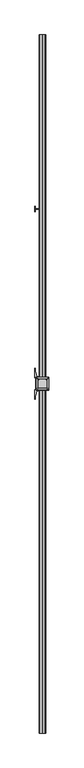
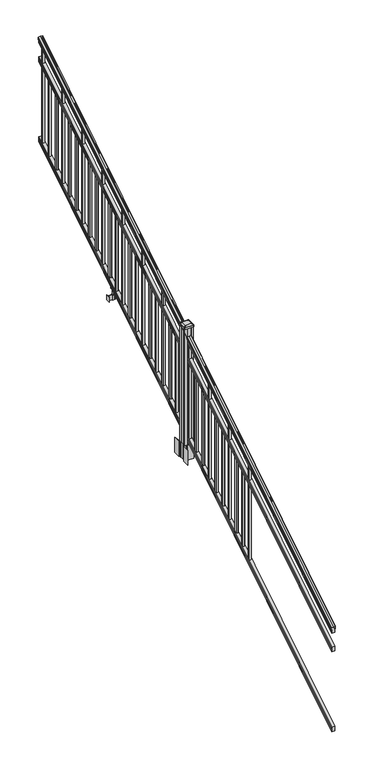
"""IFC4 building model written with IfcOpenShell, lengths in millimetres: railing geometry."""

from ifc_helpers import new_model, si_unit, point, frame, frame_2d, origin, place, context, project, spatial, polyline, circle_curve, ellipse_curve, trimmed, segment, composite_curve, outline, extrude, faceted_brep, source, transform, mapped, element, save
from ifc_brep_helpers import plane_surface, cylinder_surface, revolved_surface, extruded_surface, advanced_brep


def railing_58df58b9(model_context):
    return source(origin(), model_context, "Body", "SolidModel", [
        advanced_brep(
        [(11092.2704765, -115957.2628453, 1285.6070492), (11092.2704765, -115957.2628453, 1287.8335658), (11093.4006628, -115957.2628453, 1289.6758543), (11093.4006628, -115957.2628453, 1298.1876358), (11092.7514064, -115957.2628453, 1301.0572588), (11095.2514064, -115957.2628453, 1306.1635509), (11096.6607489, -115957.2628453, 1308.1442021), (11097.0626479, -115957.2628453, 1309.4469579), (11097.0626478, -115957.2628453, 1311.0274846), (11095.5092005, -115957.2628453, 1312.8593836), (11074.8376478, -115957.2628453, 1312.8593836), (11054.166095, -115957.2628453, 1312.8593836), (11052.6126478, -115957.2628453, 1311.0274846), (11052.6126478, -115957.2628453, 1309.4469579), (11053.0145467, -115957.2628453, 1308.1442021), (11054.4238891, -115957.2628453, 1306.1635509), (11056.9238891, -115957.2628453, 1301.0572588), (11056.2746327, -115957.2628453, 1298.1876358), (11056.2746327, -115957.2628453, 1289.6758543), (11057.404819, -115957.2628453, 1287.8335658), (11057.404819, -115957.2628453, 1285.6070492), (11059.9786478, -115957.2628453, 1285.6070492), (11059.9786478, -115957.2628453, 1273.225537), (11058.9626478, -115957.2628453, 1272.0274214), (11058.9626478, -115957.2628453, 1257.3), (11090.7126478, -115957.2628453, 1257.3), (11090.7126478, -115957.2628453, 1271.841318), (11089.6966478, -115957.2628453, 1273.0394336), (11089.6966478, -115957.2628453, 1285.6070492), (11092.2704765, -111080.4628453, 4333.6070492), (11089.6966478, -111080.4628453, 4333.6070492), (11089.6966478, -111080.4628453, 4321.0394336), (11090.7126478, -111080.4628453, 4319.841318), (11090.7126478, -111080.4628453, 4305.3), (11058.9626478, -111080.4628453, 4305.3), (11058.9626478, -111080.4628453, 4320.0274214), (11059.9786478, -111080.4628453, 4321.225537), (11059.9786478, -111080.4628453, 4333.6070492), (11057.404819, -111080.4628453, 4333.6070492), (11057.404819, -111080.4628453, 4335.8335658), (11056.2746327, -111080.4628453, 4337.6758543), (11056.2746327, -111080.4628453, 4346.1876358), (11056.9238891, -111080.4628453, 4349.0572588), (11054.4238891, -111080.4628453, 4354.1635509), (11053.0145467, -111080.4628453, 4356.1442021), (11052.6126477, -111080.4628453, 4357.4469579), (11052.6126478, -111080.4628453, 4359.0274846), (11054.166095, -111080.4628453, 4360.8593836), (11074.8376478, -111080.4628453, 4360.8593836), (11095.5092005, -111080.4628453, 4360.8593836), (11097.0626478, -111080.4628453, 4359.0274846), (11097.0626478, -111080.4628453, 4357.4469579), (11096.6607489, -111080.4628453, 4356.1442021), (11095.2514064, -111080.4628453, 4354.1635509), (11092.7514064, -111080.4628453, 4349.0572588), (11093.4006628, -111080.4628453, 4346.1876358), (11093.4006628, -111080.4628453, 4337.6758543), (11092.2704765, -111080.4628453, 4335.8335658)],
        [
            (0, 1),
            (1, 2, ellipse_curve(frame((11085.9557232, -115957.2628453, 1294.6239405), z_axis=(0.0, -1.0, 0.0), x_axis=(0.0, 0.0, -1.0)), 10.0777926, 8.545951)),
            (2, 3, ellipse_curve(frame((11086.3927862, -115957.2628453, 1293.9317451), z_axis=(0.0, -1.0, 0.0), x_axis=(0.0, 0.0, -1.0)), 9.2955186, 7.882584)),
            (3, 4, ellipse_curve(frame((11096.9061103, -115957.2628453, 1300.8275077), z_axis=(0.0, 1.0, 0.0), x_axis=(0.0, 0.0, 1.0)), 4.9048088, 4.1592695)),
            (4, 5, ellipse_curve(frame((11098.1934169, -115957.2628453, 1300.7563208), z_axis=(0.0, 1.0, 0.0), x_axis=(0.0, 0.0, 1.0)), 6.4245301, 5.4479907)),
            (5, 6, ellipse_curve(frame((11096.9602584, -115957.2628453, 1306.1602333), z_axis=(0.0, 1.0, 0.0), x_axis=(0.0, 0.0, 1.0)), 2.0151625, 1.7088543)),
            (6, 7, ellipse_curve(frame((11095.3433583, -115957.2628453, 1309.4469579), z_axis=(0.0, -1.0, 0.0), x_axis=(0.0, 0.0, -1.0)), 2.0274681, 1.7192895)),
            (7, 8),
            (8, 9, ellipse_curve(frame((11095.5092005, -115957.2628453, 1311.0274846), z_axis=(0.0, -1.0, 0.0), x_axis=(0.0, 0.0, -1.0)), 1.831899, 1.5534472)),
            (9, 10),
            (10, 11),
            (11, 12, ellipse_curve(frame((11054.166095, -115957.2628453, 1311.0274846), z_axis=(0.0, -1.0, 0.0), x_axis=(0.0, 0.0, -1.0)), 1.831899, 1.5534472)),
            (12, 13),
            (13, 14, ellipse_curve(frame((11054.3319372, -115957.2628453, 1309.4469579), z_axis=(0.0, -1.0, 0.0), x_axis=(0.0, 0.0, -1.0)), 2.0274681, 1.7192895)),
            (14, 15, ellipse_curve(frame((11052.7150371, -115957.2628453, 1306.1602333), z_axis=(0.0, 1.0, 0.0), x_axis=(0.0, 0.0, 1.0)), 2.0151625, 1.7088543)),
            (15, 16, ellipse_curve(frame((11051.4818787, -115957.2628453, 1300.7563208), z_axis=(0.0, 1.0, 0.0), x_axis=(0.0, 0.0, 1.0)), 6.4245301, 5.4479907)),
            (16, 17, ellipse_curve(frame((11052.7691852, -115957.2628453, 1300.8275077), z_axis=(0.0, 1.0, 0.0), x_axis=(0.0, 0.0, 1.0)), 4.9048088, 4.1592695)),
            (17, 18, ellipse_curve(frame((11063.2825093, -115957.2628453, 1293.9317451), z_axis=(0.0, -1.0, 0.0), x_axis=(0.0, 0.0, -1.0)), 9.2955186, 7.882584)),
            (18, 19, ellipse_curve(frame((11063.7195723, -115957.2628453, 1294.6239405), z_axis=(0.0, -1.0, 0.0), x_axis=(0.0, 0.0, -1.0)), 10.0777926, 8.545951)),
            (19, 20),
            (20, 21, ellipse_curve(frame((11058.6917334, -115957.2628453, 1285.6070492), z_axis=(0.0, -1.0, 0.0), x_axis=(0.0, 0.0, -1.0)), 1.5175907, 1.2869144)),
            (21, 22),
            (22, 23),
            (23, 24),
            (24, 25),
            (25, 26),
            (26, 27),
            (27, 28),
            (28, 0, ellipse_curve(frame((11090.9835621, -115957.2628453, 1285.6070492), z_axis=(0.0, -1.0, 0.0), x_axis=(0.0, 0.0, -1.0)), 1.5175907, 1.2869144)),
            (29, 30, ellipse_curve(frame((11090.9835621, -111080.4628453, 4333.6070492), z_axis=(0.0, 1.0, 0.0), x_axis=(0.0, 0.0, -1.0)), 1.5175907, 1.2869144)),
            (30, 31),
            (31, 32),
            (32, 33),
            (33, 34),
            (34, 35),
            (35, 36),
            (36, 37),
            (37, 38, ellipse_curve(frame((11058.6917334, -111080.4628453, 4333.6070492), z_axis=(0.0, 1.0, 0.0), x_axis=(0.0, 0.0, -1.0)), 1.5175907, 1.2869144)),
            (38, 39),
            (39, 40, ellipse_curve(frame((11063.7195723, -111080.4628453, 4342.6239405), z_axis=(0.0, 1.0, 0.0), x_axis=(0.0, 0.0, -1.0)), 10.0777926, 8.545951)),
            (40, 41, ellipse_curve(frame((11063.2825093, -111080.4628453, 4341.9317451), z_axis=(0.0, 1.0, 0.0), x_axis=(0.0, 0.0, -1.0)), 9.2955186, 7.882584)),
            (41, 42, ellipse_curve(frame((11052.7691852, -111080.4628453, 4348.8275077), z_axis=(0.0, -1.0, 0.0), x_axis=(0.0, 0.0, 1.0)), 4.9048088, 4.1592695)),
            (42, 43, ellipse_curve(frame((11051.4818787, -111080.4628453, 4348.7563208), z_axis=(0.0, -1.0, 0.0), x_axis=(0.0, 0.0, 1.0)), 6.4245301, 5.4479907)),
            (43, 44, ellipse_curve(frame((11052.7150371, -111080.4628453, 4354.1602333), z_axis=(0.0, -1.0, 0.0), x_axis=(0.0, 0.0, 1.0)), 2.0151625, 1.7088543)),
            (44, 45, ellipse_curve(frame((11054.3319372, -111080.4628453, 4357.4469579), z_axis=(0.0, 1.0, 0.0), x_axis=(0.0, 0.0, -1.0)), 2.0274681, 1.7192895)),
            (45, 46),
            (46, 47, ellipse_curve(frame((11054.166095, -111080.4628453, 4359.0274846), z_axis=(0.0, 1.0, 0.0), x_axis=(0.0, 0.0, -1.0)), 1.831899, 1.5534472)),
            (47, 48),
            (48, 49),
            (49, 50, ellipse_curve(frame((11095.5092005, -111080.4628453, 4359.0274846), z_axis=(0.0, 1.0, 0.0), x_axis=(0.0, 0.0, -1.0)), 1.831899, 1.5534472)),
            (50, 51),
            (51, 52, ellipse_curve(frame((11095.3433583, -111080.4628453, 4357.4469579), z_axis=(0.0, 1.0, 0.0), x_axis=(0.0, 0.0, -1.0)), 2.0274681, 1.7192895)),
            (52, 53, ellipse_curve(frame((11096.9602584, -111080.4628453, 4354.1602333), z_axis=(0.0, -1.0, 0.0), x_axis=(0.0, 0.0, 1.0)), 2.0151625, 1.7088543)),
            (53, 54, ellipse_curve(frame((11098.1934169, -111080.4628453, 4348.7563208), z_axis=(0.0, -1.0, 0.0), x_axis=(0.0, 0.0, 1.0)), 6.4245301, 5.4479907)),
            (54, 55, ellipse_curve(frame((11096.9061103, -111080.4628453, 4348.8275077), z_axis=(0.0, -1.0, 0.0), x_axis=(0.0, 0.0, 1.0)), 4.9048088, 4.1592695)),
            (55, 56, ellipse_curve(frame((11086.3927862, -111080.4628453, 4341.9317451), z_axis=(0.0, 1.0, 0.0), x_axis=(0.0, 0.0, -1.0)), 9.2955186, 7.882584)),
            (56, 57, ellipse_curve(frame((11085.9557232, -111080.4628453, 4342.6239405), z_axis=(0.0, 1.0, 0.0), x_axis=(0.0, 0.0, -1.0)), 10.0777926, 8.545951)),
            (57, 29),
            (28, 30),
            (29, 0),
            (27, 31),
            (26, 32),
            (25, 33),
            (24, 34),
            (23, 35),
            (22, 36),
            (21, 37),
            (20, 38),
            (19, 39),
            (18, 40),
            (17, 41),
            (16, 42),
            (15, 43),
            (14, 44),
            (13, 45),
            (12, 46),
            (11, 47),
            (10, 48),
            (9, 49),
            (8, 50),
            (7, 51),
            (6, 52),
            (5, 53),
            (4, 54),
            (3, 55),
            (2, 56),
            (1, 57),
        ],
        [
            plane_surface(frame((11074.8376478, -115957.2628453, 1257.3), z_axis=(0.0, -1.0, 0.0), x_axis=(0.0, 0.0, 1.0))),
            plane_surface(frame((11074.8376478, -111080.4628453, 4305.3), z_axis=(0.0, 1.0, 0.0), x_axis=(0.0, 0.0, 1.0))),
            cylinder_surface(frame((11090.9835621, -115969.9851146, 1277.6556309), z_axis=(0.0, -0.8479983040051253, -0.5299989400031204), x_axis=(-1.0, 0.0, 0.0)), 1.2869144),
            plane_surface(frame((11089.6966478, -115957.2628453, 1273.0394336), z_axis=(1.0, 0.0, 0.0), x_axis=(0.0, 0.8479983040051252, 0.5299989400031204))),
            plane_surface(frame((11090.7126478, -115957.2628453, 1271.841318), z_axis=(0.7071067811865389, -0.3747658444978941, 0.5996253511967224), x_axis=(0.0, 0.8479983040051253, 0.5299989400031203))),
            plane_surface(frame((11090.7126478, -115957.2628453, 1257.3), z_axis=(1.0, 0.0, 0.0), x_axis=(0.0, 0.8479983040051252, 0.5299989400031204))),
            plane_surface(frame((11058.9626478, -115957.2628453, 1257.3), z_axis=(0.0, 0.5299989400031204, -0.8479983040051252), x_axis=(0.0, 0.8479983040051252, 0.5299989400031204))),
            plane_surface(frame((11058.9626478, -115957.2628453, 1272.0274214), z_axis=(-1.0000000000000002, 0.0, 0.0), x_axis=(0.0, 0.8479983040051253, 0.5299989400031204))),
            plane_surface(frame((11059.9786478, -115957.2628453, 1273.225537), z_axis=(-0.7071067811865438, -0.3747658444978897, 0.5996253511967192), x_axis=(0.0, 0.8479983040051252, 0.5299989400031204))),
            plane_surface(frame((11059.9786478, -115957.2628453, 1285.6070492), z_axis=(-1.0, 0.0, 0.0), x_axis=(0.0, 0.8479983040051252, 0.5299989400031204))),
            cylinder_surface(frame((11058.6917334, -115969.9851146, 1277.6556309), z_axis=(0.0, -0.8479983040051253, -0.5299989400031204), x_axis=(1.0, 0.0, 0.0)), 1.2869144),
            plane_surface(frame((11057.404819, -115957.2628453, 1287.8335658), z_axis=(-1.0, 0.0, 0.0), x_axis=(0.0, 0.8479983040051252, 0.5299989400031204))),
            cylinder_surface(frame((11063.7195723, -115974.03765, 1284.1396876), z_axis=(0.0, -0.8479983040051253, -0.5299989400031204), x_axis=(1.0, 0.0, 0.0)), 8.545951),
            cylinder_surface(frame((11063.2825093, -115973.7265509, 1283.641929), z_axis=(0.0, -0.8479983040051253, -0.5299989400031204), x_axis=(1.0, 0.0, 0.0)), 7.882584),
            revolved_surface(polyline([(11056.9284547, -111078.25843685034, 4350.205262980551), (11056.9284547, -115959.46725374945, 1299.4497524190954)]), (11052.7691852, -115976.8257701, 1288.6006797), (0.0, 0.8479983040051253, 0.5299989400031204)),
            revolved_surface(polyline([(11056.9298694, -111077.57541603575, 4350.5609640771845), (11056.9298694, -115960.15027455281, 1298.9516775044929)]), (11051.4818787, -115976.793776, 1288.5494891), (0.0, 0.8479983040051253, 0.5299989400031204)),
            revolved_surface(polyline([(11054.423891400002, -111079.55715429978, 4354.726290199651), (11054.423891400002, -115958.16853632247, 1305.594176435948)]), (11052.7150371, -115979.2225007, 1292.4354487), (0.0, 0.8479983040051253, 0.5299989400031204)),
            cylinder_surface(frame((11054.3319372, -115980.6996803, 1294.798936), z_axis=(0.0, -0.8479983040051253, -0.5299989400031204), x_axis=(1.0, 0.0, 0.0)), 1.7192895),
            plane_surface(frame((11052.6126478, -115957.2628453, 1311.0274846), z_axis=(-1.0000000000000002, 0.0, 0.0), x_axis=(0.0, 0.8479983040051253, 0.5299989400031204))),
            cylinder_surface(frame((11054.166095, -115981.4100294, 1295.9354945), z_axis=(0.0, -0.8479983040051253, -0.5299989400031204), x_axis=(1.0, 0.0, 0.0)), 1.5534472),
            plane_surface(frame((11074.8376478, -115957.2628453, 1312.8593836), z_axis=(0.0, -0.5299989400031204, 0.8479983040051252), x_axis=(0.0, 0.8479983040051252, 0.5299989400031204))),
            plane_surface(frame((11095.5092005, -115957.2628453, 1312.8593836), z_axis=(0.0, -0.5299989400031204, 0.8479983040051252), x_axis=(0.0, 0.8479983040051252, 0.5299989400031204))),
            cylinder_surface(frame((11095.5092005, -115981.4100294, 1295.9354945), z_axis=(0.0, -0.8479983040051253, -0.5299989400031204), x_axis=(-1.0, 0.0, 0.0)), 1.5534472),
            plane_surface(frame((11097.0626478, -115957.2628453, 1309.4469579), z_axis=(1.0, 0.0, 0.0), x_axis=(0.0, 0.8479983040051252, 0.5299989400031204))),
            cylinder_surface(frame((11095.3433583, -115980.6996803, 1294.798936), z_axis=(0.0, -0.8479983040051253, -0.5299989400031204), x_axis=(-1.0, 0.0, 0.0)), 1.7192895),
            revolved_surface(polyline([(11095.2514041, -111079.55715429978, 4354.726290199651), (11095.2514041, -115958.16853632247, 1305.594176435948)]), (11096.9602584, -115979.2225007, 1292.4354487), (0.0, 0.8479983040051253, 0.5299989400031204)),
            revolved_surface(polyline([(11092.7454262, -111077.57541603575, 4350.5609640771845), (11092.7454262, -115960.15027455281, 1298.9516775044929)]), (11098.1934169, -115976.793776, 1288.5494891), (0.0, 0.8479983040051253, 0.5299989400031204)),
            revolved_surface(polyline([(11092.7468408, -111078.25843685034, 4350.205262980551), (11092.7468408, -115959.46725374945, 1299.4497524190954)]), (11096.9061103, -115976.8257701, 1288.6006797), (0.0, 0.8479983040051253, 0.5299989400031204)),
            cylinder_surface(frame((11086.3927862, -115973.7265509, 1283.641929), z_axis=(0.0, -0.8479983040051253, -0.5299989400031204), x_axis=(-1.0, 0.0, 0.0)), 7.882584),
            cylinder_surface(frame((11085.9557232, -115974.03765, 1284.1396876), z_axis=(0.0, -0.8479983040051253, -0.5299989400031204), x_axis=(-1.0, 0.0, 0.0)), 8.545951),
            plane_surface(frame((11092.2704765, -115957.2628453, 1285.6070492), z_axis=(1.0, 0.0, 0.0), x_axis=(0.0, 0.8479983040051252, 0.5299989400031204))),
        ],
        [
            (0, [[1, 2, 3, 4, 5, 6, 7, 8, 9, 10, 11, 12, 13, 14, 15, 16, 17, 18, 19, 20, 21, 22, 23, 24, 25, 26, 27, 28, 29]]),
            (1, [[30, 31, 32, 33, 34, 35, 36, 37, 38, 39, 40, 41, 42, 43, 44, 45, 46, 47, 48, 49, 50, 51, 52, 53, 54, 55, 56, 57, 58]]),
            (2, [[-29, 59, -30, 60]]),
            (3, [[-28, 61, -31, -59]]),
            (4, [[-27, 62, -32, -61]]),
            (5, [[-26, 63, -33, -62]]),
            (6, [[-25, 64, -34, -63]]),
            (7, [[-24, 65, -35, -64]]),
            (8, [[-23, 66, -36, -65]]),
            (9, [[-22, 67, -37, -66]]),
            (10, [[-21, 68, -38, -67]]),
            (11, [[-20, 69, -39, -68]]),
            (12, [[-19, 70, -40, -69]]),
            (13, [[-18, 71, -41, -70]]),
            (14, [[-17, 72, -42, -71]]),
            (15, [[-16, 73, -43, -72]]),
            (16, [[-15, 74, -44, -73]]),
            (17, [[-14, 75, -45, -74]]),
            (18, [[-13, 76, -46, -75]]),
            (19, [[-12, 77, -47, -76]]),
            (20, [[-11, 78, -48, -77]]),
            (21, [[-10, 79, -49, -78]]),
            (22, [[-9, 80, -50, -79]]),
            (23, [[-8, 81, -51, -80]]),
            (24, [[-7, 82, -52, -81]]),
            (25, [[-6, 83, -53, -82]]),
            (26, [[-5, 84, -54, -83]]),
            (27, [[-4, 85, -55, -84]]),
            (28, [[-3, 86, -56, -85]]),
            (29, [[-2, 87, -57, -86]]),
            (30, [[-1, -60, -58, -87]]),
        ],
    ),
        faceted_brep([(11090.7501347, -115957.2628453, 1081.6045079), (11089.7341347, -115957.2628453, 1083.138026), (11089.7341347, -115957.2628453, 1095.3545048), (11090.7501347, -115957.2628453, 1096.9444579), (11090.7501347, -115957.2628453, 1111.7244744), (11059.0001347, -115957.2628453, 1111.7244744), (11059.0001347, -115957.2628453, 1096.9248272), (11060.0161347, -115957.2628453, 1095.3348741), (11060.0161347, -115957.2628453, 1083.1748303), (11059.0001347, -115957.2628453, 1081.5848772), (11059.0001347, -115957.2628453, 1066.8), (11090.7501347, -115957.2628453, 1066.8), (11090.7501347, -111080.4628453, 4129.6045079), (11090.7501347, -111080.4628453, 4114.8), (11059.0001347, -111080.4628453, 4114.8), (11059.0001347, -111080.4628453, 4129.5848772), (11060.0161347, -111080.4628453, 4131.1748303), (11060.0161347, -111080.4628453, 4143.3348741), (11059.0001347, -111080.4628453, 4144.9248272), (11059.0001347, -111080.4628453, 4159.7244744), (11090.7501347, -111080.4628453, 4159.7244744), (11090.7501347, -111080.4628453, 4144.9444579), (11089.7341347, -111080.4628453, 4143.3545048), (11089.7341347, -111080.4628453, 4131.138026)], [[[0, 1, 2, 3, 4, 5, 6, 7, 8, 9, 10, 11]], [[12, 13, 14, 15, 16, 17, 18, 19, 20, 21, 22, 23]], [[0, 11, 13, 12]], [[11, 10, 14, 13]], [[10, 9, 15, 14]], [[9, 8, 16, 15]], [[8, 7, 17, 16]], [[7, 6, 18, 17]], [[6, 5, 19, 18]], [[5, 4, 20, 19]], [[4, 3, 21, 20]], [[3, 2, 22, 21]], [[2, 1, 23, 22]], [[1, 0, 12, 23]]]),
        faceted_brep([(11090.7501347, -115957.2628453, 268.8045079), (11089.7341347, -115957.2628453, 270.338026), (11089.7341347, -115957.2628453, 282.5545048), (11090.7501347, -115957.2628453, 284.1444579), (11090.7501347, -115957.2628453, 298.9244744), (11059.0001347, -115957.2628453, 298.9244744), (11059.0001347, -115957.2628453, 284.1248272), (11060.0161347, -115957.2628453, 282.5348741), (11060.0161347, -115957.2628453, 270.3748303), (11059.0001347, -115957.2628453, 268.7848772), (11059.0001347, -115957.2628453, 254.0), (11090.7501347, -115957.2628453, 254.0), (11090.7501347, -111080.4628453, 3316.8045079), (11090.7501347, -111080.4628453, 3302.0), (11059.0001347, -111080.4628453, 3302.0), (11059.0001347, -111080.4628453, 3316.7848772), (11060.0161347, -111080.4628453, 3318.3748303), (11060.0161347, -111080.4628453, 3330.5348741), (11059.0001347, -111080.4628453, 3332.1248272), (11059.0001347, -111080.4628453, 3346.9244744), (11090.7501347, -111080.4628453, 3346.9244744), (11090.7501347, -111080.4628453, 3332.1444579), (11089.7341347, -111080.4628453, 3330.5545048), (11089.7341347, -111080.4628453, 3318.338026)], [[[0, 1, 2, 3, 4, 5, 6, 7, 8, 9, 10, 11]], [[12, 13, 14, 15, 16, 17, 18, 19, 20, 21, 22, 23]], [[2, 1, 23, 22]], [[4, 3, 21, 20]], [[6, 5, 19, 18]], [[0, 11, 13, 12]], [[1, 0, 12, 23]], [[3, 2, 22, 21]], [[5, 4, 20, 19]], [[7, 6, 18, 17]], [[8, 7, 17, 16]], [[9, 8, 16, 15]], [[10, 9, 15, 14]], [[11, 10, 14, 13]]]),
        extrude(outline(polyline([(11084.3626478, -111137.2318453), (11065.3126478, -111137.2318453), (11065.3126478, -111118.1818453), (11084.3626478, -111118.1818453), (11084.3626478, -111137.2318453)]), holes=[polyline([(11083.9657728, -111136.8349703), (11083.9657728, -111118.5787203), (11065.7095228, -111118.5787203), (11065.7095228, -111136.8349703), (11083.9657728, -111136.8349703)])]), frame((0.0, 0.0, 3310.5683781), z_axis=(0.0, 0.0, 1.0), x_axis=(1.0, 0.0, 0.0)), (0.0, 0.0, 1.0), 965.2041219),
        extrude(outline(polyline([(11084.3626478, -111248.4838453), (11065.3126478, -111248.4838453), (11065.3126478, -111229.4338453), (11084.3626478, -111229.4338453), (11084.3626478, -111248.4838453)]), holes=[polyline([(11083.9657728, -111248.0869703), (11083.9657728, -111229.8307203), (11065.7095228, -111229.8307203), (11065.7095228, -111248.0869703), (11083.9657728, -111248.0869703)])]), frame((0.0, 0.0, 3241.0358781), z_axis=(0.0, 0.0, 1.0), x_axis=(1.0, 0.0, 0.0)), (0.0, 0.0, 1.0), 774.7041219),
        extrude(outline(polyline([(11084.3626478, -111359.7358453), (11065.3126478, -111359.7358453), (11065.3126478, -111340.6858453), (11084.3626478, -111340.6858453), (11084.3626478, -111359.7358453)]), holes=[polyline([(11083.9657728, -111359.3389703), (11083.9657728, -111341.0827203), (11065.7095228, -111341.0827203), (11065.7095228, -111359.3389703), (11083.9657728, -111359.3389703)])]), frame((0.0, 0.0, 3171.5033781), z_axis=(0.0, 0.0, 1.0), x_axis=(1.0, 0.0, 0.0)), (0.0, 0.0, 1.0), 774.7041219),
        extrude(outline(polyline([(11084.3626478, -111470.9878453), (11065.3126478, -111470.9878453), (11065.3126478, -111451.9378453), (11084.3626478, -111451.9378453), (11084.3626478, -111470.9878453)]), holes=[polyline([(11083.9657728, -111470.5909703), (11083.9657728, -111452.3347203), (11065.7095228, -111452.3347203), (11065.7095228, -111470.5909703), (11083.9657728, -111470.5909703)])]), frame((0.0, 0.0, 3101.9708781), z_axis=(0.0, 0.0, 1.0), x_axis=(1.0, 0.0, 0.0)), (0.0, 0.0, 1.0), 965.2041219),
        extrude(outline(polyline([(11084.3626478, -111582.2398453), (11065.3126478, -111582.2398453), (11065.3126478, -111563.1898453), (11084.3626478, -111563.1898453), (11084.3626478, -111582.2398453)]), holes=[polyline([(11083.9657728, -111581.8429703), (11083.9657728, -111563.5867203), (11065.7095228, -111563.5867203), (11065.7095228, -111581.8429703), (11083.9657728, -111581.8429703)])]), frame((0.0, 0.0, 3032.4383781), z_axis=(0.0, 0.0, 1.0), x_axis=(1.0, 0.0, 0.0)), (0.0, 0.0, 1.0), 774.7041219),
        extrude(outline(polyline([(11084.3626478, -111693.4918453), (11065.3126478, -111693.4918453), (11065.3126478, -111674.4418453), (11084.3626478, -111674.4418453), (11084.3626478, -111693.4918453)]), holes=[polyline([(11083.9657728, -111693.0949703), (11083.9657728, -111674.8387203), (11065.7095228, -111674.8387203), (11065.7095228, -111693.0949703), (11083.9657728, -111693.0949703)])]), frame((0.0, 0.0, 2962.9058781), z_axis=(0.0, 0.0, 1.0), x_axis=(1.0, 0.0, 0.0)), (0.0, 0.0, 1.0), 774.7041219),
        extrude(outline(polyline([(11084.3626478, -111804.7438453), (11065.3126478, -111804.7438453), (11065.3126478, -111785.6938453), (11084.3626478, -111785.6938453), (11084.3626478, -111804.7438453)]), holes=[polyline([(11083.9657728, -111804.3469703), (11083.9657728, -111786.0907203), (11065.7095228, -111786.0907203), (11065.7095228, -111804.3469703), (11083.9657728, -111804.3469703)])]), frame((0.0, 0.0, 2893.3733781), z_axis=(0.0, 0.0, 1.0), x_axis=(1.0, 0.0, 0.0)), (0.0, 0.0, 1.0), 965.2041219),
        extrude(outline(polyline([(11084.3626478, -111915.9958453), (11065.3126478, -111915.9958453), (11065.3126478, -111896.9458453), (11084.3626478, -111896.9458453), (11084.3626478, -111915.9958453)]), holes=[polyline([(11083.9657728, -111915.5989703), (11083.9657728, -111897.3427203), (11065.7095228, -111897.3427203), (11065.7095228, -111915.5989703), (11083.9657728, -111915.5989703)])]), frame((0.0, 0.0, 2823.8408781), z_axis=(0.0, 0.0, 1.0), x_axis=(1.0, 0.0, 0.0)), (0.0, 0.0, 1.0), 774.7041219),
        extrude(outline(polyline([(11084.3626478, -112027.2478453), (11065.3126478, -112027.2478453), (11065.3126478, -112008.1978453), (11084.3626478, -112008.1978453), (11084.3626478, -112027.2478453)]), holes=[polyline([(11083.9657728, -112026.8509703), (11083.9657728, -112008.5947203), (11065.7095228, -112008.5947203), (11065.7095228, -112026.8509703), (11083.9657728, -112026.8509703)])]), frame((0.0, 0.0, 2754.3083781), z_axis=(0.0, 0.0, 1.0), x_axis=(1.0, 0.0, 0.0)), (0.0, 0.0, 1.0), 774.7041219),
        extrude(outline(polyline([(11084.3626478, -112138.4998453), (11065.3126478, -112138.4998453), (11065.3126478, -112119.4498453), (11084.3626478, -112119.4498453), (11084.3626478, -112138.4998453)]), holes=[polyline([(11083.9657728, -112138.1029703), (11083.9657728, -112119.8467203), (11065.7095228, -112119.8467203), (11065.7095228, -112138.1029703), (11083.9657728, -112138.1029703)])]), frame((0.0, 0.0, 2684.7758781), z_axis=(0.0, 0.0, 1.0), x_axis=(1.0, 0.0, 0.0)), (0.0, 0.0, 1.0), 965.2041219),
        extrude(outline(polyline([(11084.3626478, -112249.7518453), (11065.3126478, -112249.7518453), (11065.3126478, -112230.7018453), (11084.3626478, -112230.7018453), (11084.3626478, -112249.7518453)]), holes=[polyline([(11083.9657728, -112249.3549703), (11083.9657728, -112231.0987203), (11065.7095228, -112231.0987203), (11065.7095228, -112249.3549703), (11083.9657728, -112249.3549703)])]), frame((0.0, 0.0, 2615.2433781), z_axis=(0.0, 0.0, 1.0), x_axis=(1.0, 0.0, 0.0)), (0.0, 0.0, 1.0), 774.7041219),
        extrude(outline(polyline([(11064.169648, -112297.1228453), (11024.7996478, -112297.1228453), (11024.7996478, -112294.5828453), (11064.169648, -112294.5828453), (11064.169648, -112297.1228453)])), frame((0.0, 0.0, 2428.08125), z_axis=(0.0, 0.0, 1.0), x_axis=(1.0, 0.0, 0.0)), (0.0, 0.0, 1.0), 50.8),
        extrude(outline(polyline([(11024.7996478, -112314.9028453), (11022.2596478, -112314.9028453), (11022.2596478, -112276.8028453), (11024.7996478, -112276.8028453), (11024.7996478, -112314.9028453)])), frame((0.0, 0.0, 2428.08125), z_axis=(0.0, 0.0, 1.0), x_axis=(1.0, 0.0, 0.0)), (0.0, 0.0, 1.0), 50.8),
        extrude(outline(polyline([(11085.5056485, -112305.7588453), (11064.169648, -112305.7588453), (11064.169648, -112285.9468453), (11085.5056485, -112285.9468453), (11085.5056485, -112305.7588453)]), holes=[polyline([(11082.2036484, -112303.2188453), (11082.2036484, -112288.4868453), (11067.4716481, -112288.4868453), (11067.4716481, -112303.2188453), (11082.2036484, -112303.2188453)])]), frame((0.0, 0.0, 2428.08125), z_axis=(0.0, 0.0, 1.0), x_axis=(1.0, 0.0, 0.0)), (0.0, 0.0, 1.0), 50.8),
        extrude(outline(polyline([(2567.6016479, 11056.6766489), (2566.8396469, 11055.9146479), (2540.3492523, 11055.9146479), (2539.5872513, 11056.6766489), (2539.5872513, 11066.709648), (2538.8252512, 11067.4716481), (2475.3252512, 11067.4716481), (2475.3252512, 11082.2036484), (2538.8252512, 11082.2036484), (2539.5872513, 11082.9656485), (2539.5872513, 11092.9986475), (2540.3492523, 11093.7606486), (2566.8396469, 11093.7606486), (2567.6016479, 11092.9986475), (2567.6016479, 11090.966648), (2566.5856453, 11089.9506482), (2556.1498581, 11089.9506482), (2555.1338573, 11090.966648), (2543.143251, 11090.966648), (2542.3812519, 11090.2046488), (2542.3812519, 11059.4706477), (2543.143251, 11058.7086485), (2555.1338573, 11058.7086485), (2556.1498581, 11059.7246483), (2566.5856453, 11059.7246483), (2567.6016479, 11058.7086485), (2567.6016479, 11056.6766489)]), holes=[polyline([(2539.5872513, 11078.2666481), (2538.8252512, 11079.0286482), (2482.8182531, 11079.0286482), (2482.0562531, 11078.2666481), (2482.0562531, 11071.4086455), (2482.8182503, 11070.6466483), (2538.8252512, 11070.6466483), (2539.5872513, 11071.4086483), (2539.5872513, 11078.2666481)])]), frame((0.0, -112303.2188453, 0.0), z_axis=(0.0, 1.0, 0.0), x_axis=(0.0, 0.0, 1.0)), (0.0, 0.0, 1.0), 14.732),
        extrude(outline(polyline([(11084.3626478, -112361.0038453), (11065.3126478, -112361.0038453), (11065.3126478, -112341.9538453), (11084.3626478, -112341.9538453), (11084.3626478, -112361.0038453)]), holes=[polyline([(11083.9657728, -112360.6069703), (11083.9657728, -112342.3507203), (11065.7095228, -112342.3507203), (11065.7095228, -112360.6069703), (11083.9657728, -112360.6069703)])]), frame((0.0, 0.0, 2545.7108781), z_axis=(0.0, 0.0, 1.0), x_axis=(1.0, 0.0, 0.0)), (0.0, 0.0, 1.0), 774.7041219),
        extrude(outline(polyline([(11084.3626478, -112472.2558453), (11065.3126478, -112472.2558453), (11065.3126478, -112453.2058453), (11084.3626478, -112453.2058453), (11084.3626478, -112472.2558453)]), holes=[polyline([(11083.9657728, -112471.8589703), (11083.9657728, -112453.6027203), (11065.7095228, -112453.6027203), (11065.7095228, -112471.8589703), (11083.9657728, -112471.8589703)])]), frame((0.0, 0.0, 2476.1783781), z_axis=(0.0, 0.0, 1.0), x_axis=(1.0, 0.0, 0.0)), (0.0, 0.0, 1.0), 965.2041219),
        extrude(outline(polyline([(11084.3626478, -112583.5078453), (11065.3126478, -112583.5078453), (11065.3126478, -112564.4578453), (11084.3626478, -112564.4578453), (11084.3626478, -112583.5078453)]), holes=[polyline([(11083.9657728, -112583.1109703), (11083.9657728, -112564.8547203), (11065.7095228, -112564.8547203), (11065.7095228, -112583.1109703), (11083.9657728, -112583.1109703)])]), frame((0.0, 0.0, 2406.6458781), z_axis=(0.0, 0.0, 1.0), x_axis=(1.0, 0.0, 0.0)), (0.0, 0.0, 1.0), 774.7041219),
        extrude(outline(polyline([(11084.3626478, -112694.7598453), (11065.3126478, -112694.7598453), (11065.3126478, -112675.7098453), (11084.3626478, -112675.7098453), (11084.3626478, -112694.7598453)]), holes=[polyline([(11083.9657728, -112694.3629703), (11083.9657728, -112676.1067203), (11065.7095228, -112676.1067203), (11065.7095228, -112694.3629703), (11083.9657728, -112694.3629703)])]), frame((0.0, 0.0, 2337.1133781), z_axis=(0.0, 0.0, 1.0), x_axis=(1.0, 0.0, 0.0)), (0.0, 0.0, 1.0), 774.7041219),
        extrude(outline(polyline([(11084.3626478, -112806.0118453), (11065.3126478, -112806.0118453), (11065.3126478, -112786.9618453), (11084.3626478, -112786.9618453), (11084.3626478, -112806.0118453)]), holes=[polyline([(11083.9657728, -112805.6149703), (11083.9657728, -112787.3587203), (11065.7095228, -112787.3587203), (11065.7095228, -112805.6149703), (11083.9657728, -112805.6149703)])]), frame((0.0, 0.0, 2267.5808781), z_axis=(0.0, 0.0, 1.0), x_axis=(1.0, 0.0, 0.0)), (0.0, 0.0, 1.0), 965.2041219),
        extrude(outline(polyline([(11084.3626478, -112917.2638453), (11065.3126478, -112917.2638453), (11065.3126478, -112898.2138453), (11084.3626478, -112898.2138453), (11084.3626478, -112917.2638453)]), holes=[polyline([(11083.9657728, -112916.8669703), (11083.9657728, -112898.6107203), (11065.7095228, -112898.6107203), (11065.7095228, -112916.8669703), (11083.9657728, -112916.8669703)])]), frame((0.0, 0.0, 2198.0483781), z_axis=(0.0, 0.0, 1.0), x_axis=(1.0, 0.0, 0.0)), (0.0, 0.0, 1.0), 774.7041219),
        extrude(outline(polyline([(11084.3626478, -113028.5158453), (11065.3126478, -113028.5158453), (11065.3126478, -113009.4658453), (11084.3626478, -113009.4658453), (11084.3626478, -113028.5158453)]), holes=[polyline([(11083.9657728, -113028.1189703), (11083.9657728, -113009.8627203), (11065.7095228, -113009.8627203), (11065.7095228, -113028.1189703), (11083.9657728, -113028.1189703)])]), frame((0.0, 0.0, 2128.5158781), z_axis=(0.0, 0.0, 1.0), x_axis=(1.0, 0.0, 0.0)), (0.0, 0.0, 1.0), 774.7041219),
        extrude(outline(polyline([(11084.3626478, -113139.7678453), (11065.3126478, -113139.7678453), (11065.3126478, -113120.7178453), (11084.3626478, -113120.7178453), (11084.3626478, -113139.7678453)]), holes=[polyline([(11083.9657728, -113139.3709703), (11083.9657728, -113121.1147203), (11065.7095228, -113121.1147203), (11065.7095228, -113139.3709703), (11083.9657728, -113139.3709703)])]), frame((0.0, 0.0, 2058.9833781), z_axis=(0.0, 0.0, 1.0), x_axis=(1.0, 0.0, 0.0)), (0.0, 0.0, 1.0), 965.2041219),
        extrude(outline(polyline([(11084.3626478, -113251.0198453), (11065.3126478, -113251.0198453), (11065.3126478, -113231.9698453), (11084.3626478, -113231.9698453), (11084.3626478, -113251.0198453)]), holes=[polyline([(11083.9657728, -113250.6229703), (11083.9657728, -113232.3667203), (11065.7095228, -113232.3667203), (11065.7095228, -113250.6229703), (11083.9657728, -113250.6229703)])]), frame((0.0, 0.0, 1989.4508781), z_axis=(0.0, 0.0, 1.0), x_axis=(1.0, 0.0, 0.0)), (0.0, 0.0, 1.0), 774.7041219),
        extrude(outline(polyline([(11084.3626478, -113362.2718453), (11065.3126478, -113362.2718453), (11065.3126478, -113343.2218453), (11084.3626478, -113343.2218453), (11084.3626478, -113362.2718453)]), holes=[polyline([(11083.9657728, -113361.8749703), (11083.9657728, -113343.6187203), (11065.7095228, -113343.6187203), (11065.7095228, -113361.8749703), (11083.9657728, -113361.8749703)])]), frame((0.0, 0.0, 1919.9183781), z_axis=(0.0, 0.0, 1.0), x_axis=(1.0, 0.0, 0.0)), (0.0, 0.0, 1.0), 774.7041219),
        extrude(outline(polyline([(11084.3626478, -113473.5238453), (11065.3126478, -113473.5238453), (11065.3126478, -113454.4738453), (11084.3626478, -113454.4738453), (11084.3626478, -113473.5238453)]), holes=[polyline([(11083.9657728, -113473.1269703), (11083.9657728, -113454.8707203), (11065.7095228, -113454.8707203), (11065.7095228, -113473.1269703), (11083.9657728, -113473.1269703)])]), frame((0.0, 0.0, 1850.3858781), z_axis=(0.0, 0.0, 1.0), x_axis=(1.0, 0.0, 0.0)), (0.0, 0.0, 1.0), 965.2041219),
        extrude(outline(composite_curve([segment(polyline([(11117.5731478, -113533.7089401), (11119.1606478, -113534.4709401), (11119.1606478, -113557.2728682), (11115.7876707, -113560.6458453), (11054.3279999, -113560.6458453), (11054.3279999, -113561.5665953), (11049.0104561, -113561.5665953), (11049.0104561, -113563.02085), (11043.9259264, -113563.02085), (11043.9259264, -113564.3048738), (11042.2586541, -113564.3048738)]), True, "CONTINUOUS"), segment(trimmed(circle_curve(frame_2d((11042.2586541, -113571.3643337)), 7.0594599), [point((11042.2586541, -113564.3048738))], [point((11035.4913912, -113569.354327))], True, "CARTESIAN"), True, "CONTINUOUS"), segment(polyline([(11035.4913912, -113569.354327), (11027.6171969, -113595.8650561)]), True, "CONTINUOUS"), segment(trimmed(circle_curve(frame_2d((11082.4017103, -113612.1371057)), 57.15), [point((11027.6171969, -113595.8650561))], [point((11025.2517103, -113612.1371057))], True, "CARTESIAN"), True, "CONTINUOUS"), segment(polyline([(11025.2517103, -113612.1371057), (11025.2517103, -113624.1458453), (11022.2517103, -113624.1458453), (11022.2517103, -113559.0583453), (11030.5146478, -113547.720054), (11030.5146478, -113534.4709401), (11032.1021478, -113533.7089401), (11032.1021478, -113498.9367504), (11030.5146478, -113498.1747504), (11030.5146478, -113484.9256366), (11022.2517103, -113473.5873453), (11022.2517103, -113408.4998453), (11025.2517103, -113408.4998453), (11025.2517103, -113420.5085848)]), True, "CONTINUOUS"), segment(trimmed(circle_curve(frame_2d((11082.4017103, -113420.5085848)), 57.15), [point((11025.2517103, -113420.5085848))], [point((11027.6171969, -113436.7806345))], True, "CARTESIAN"), True, "CONTINUOUS"), segment(polyline([(11027.6171969, -113436.7806345), (11035.4913912, -113463.2913636)]), True, "CONTINUOUS"), segment(trimmed(circle_curve(frame_2d((11042.2586541, -113461.2813569)), 7.0594599), [point((11035.4913912, -113463.2913636))], [point((11042.2586541, -113468.3408168))], True, "CARTESIAN"), True, "CONTINUOUS"), segment(polyline([(11042.2586541, -113468.3408168), (11043.9259264, -113468.3408168), (11043.9259264, -113469.6248406), (11049.0104561, -113469.6248406), (11049.0104561, -113471.0790953), (11054.3279999, -113471.0790953), (11054.3279999, -113471.9998453), (11115.7876707, -113471.9998453), (11119.1606478, -113475.3728224), (11119.1606478, -113498.1747504), (11117.5731478, -113498.9367504), (11117.5731478, -113533.7089401)]), True, "CONTINUOUS")], self_intersect=False), holes=[polyline([(11033.5626478, -113476.6353453), (11033.5626478, -113556.0103453), (11035.1501478, -113557.5978453), (11072.0744304, -113557.5978453), (11114.5251478, -113557.5978453), (11116.1126478, -113556.0103453), (11116.1126478, -113476.6353453), (11114.5251478, -113475.0478453), (11072.0744304, -113475.0478453), (11035.1501478, -113475.0478453), (11033.5626478, -113476.6353453)])]), frame((0.0, 0.0, 1563.6875), z_axis=(0.0, 0.0, 1.0), x_axis=(1.0, 0.0, 0.0)), (0.0, 0.0, 1.0), 152.4),
        advanced_brep(
        [(11049.0407728, -113545.2947203, 2928.426763), (11100.6345228, -113545.2947203, 2928.426763), (11103.8095228, -113542.1197203, 2928.426763), (11103.8095228, -113490.5259703, 2928.426763), (11100.6345228, -113487.3509703, 2928.426763), (11049.0407728, -113487.3509703, 2928.426763), (11045.8657728, -113490.5259703, 2928.426763), (11045.8657728, -113542.1197203, 2928.426763), (11032.7688978, -113561.5665953, 2917.123763), (11029.5938978, -113558.3915953, 2917.123763), (11029.5938978, -113474.2540953, 2917.123763), (11032.7688978, -113471.0790953, 2917.123763), (11116.9063978, -113471.0790953, 2917.123763), (11120.0813978, -113474.2540953, 2917.123763), (11120.0813978, -113558.3915953, 2917.123763), (11116.9063978, -113561.5665953, 2917.123763)],
        [
            (0, 1),
            (1, 2, circle_curve(frame((11100.6345228, -113542.1197203, 2928.426763), z_axis=(0.0, 0.0, 1.0), x_axis=(0.0, 1.0, 0.0)), 3.175)),
            (2, 3),
            (3, 4, circle_curve(frame((11100.6345228, -113490.5259703, 2928.426763), z_axis=(0.0, 0.0, 1.0), x_axis=(0.0, 1.0, 0.0)), 3.175)),
            (4, 5),
            (5, 6, circle_curve(frame((11049.0407728, -113490.5259703, 2928.426763), z_axis=(0.0, 0.0, 1.0), x_axis=(0.0, 1.0, 0.0)), 3.175)),
            (6, 7),
            (7, 0, circle_curve(frame((11049.0407728, -113542.1197203, 2928.426763), z_axis=(0.0, 0.0, 1.0), x_axis=(0.0, 1.0, 0.0)), 3.175)),
            (8, 9, circle_curve(frame((11032.7688978, -113558.3915953, 2917.123763), z_axis=(0.0, 0.0, -1.0), x_axis=(0.0, 1.0, 0.0)), 3.175)),
            (9, 10),
            (10, 11, circle_curve(frame((11032.7688978, -113474.2540953, 2917.123763), z_axis=(0.0, 0.0, -1.0), x_axis=(0.0, 1.0, 0.0)), 3.175)),
            (11, 12),
            (12, 13, circle_curve(frame((11116.9063978, -113474.2540953, 2917.123763), z_axis=(0.0, 0.0, -1.0), x_axis=(0.0, 1.0, 0.0)), 3.175)),
            (13, 14),
            (14, 15, circle_curve(frame((11116.9063978, -113558.3915953, 2917.123763), z_axis=(0.0, 0.0, -1.0), x_axis=(0.0, 1.0, 0.0)), 3.175)),
            (15, 8),
            (8, 0),
            (7, 9),
            (6, 10),
            (5, 11),
            (4, 12),
            (3, 13),
            (2, 14),
            (1, 15),
        ],
        [
            plane_surface(frame((11074.8376478, -113516.3228453, 2928.426763), z_axis=(0.0, 0.0, 1.0), x_axis=(-1.0, 0.0, 0.0))),
            plane_surface(frame((11074.8376478, -113516.3228453, 2917.123763), z_axis=(0.0, 0.0, -1.0), x_axis=(-1.0, 0.0, 0.0))),
            extruded_surface(trimmed(circle_curve(frame((11049.0407728, -113542.1197203, 2928.426763), z_axis=(0.0, 0.0, -1.0), x_axis=(0.0, 1.0, 0.0)), 3.175), [point((11049.0407728, -113545.2947203, 2928.426763))], [point((11045.8657728, -113542.1197203, 2928.426763))], True, "CARTESIAN"), (-16.271874999998545, -16.27187499999127, -11.302999999999884), 25.637972638859644),
            plane_surface(frame((11029.5938978, -113516.3228453, 2917.123763), z_axis=(-0.5705009161540778, 0.0, 0.8212969649690408), x_axis=(0.0, 1.0, 0.0))),
            extruded_surface(trimmed(circle_curve(frame((11049.0407728, -113490.5259703, 2928.426763), z_axis=(0.0, 0.0, -1.0), x_axis=(0.0, 1.0, 0.0)), 3.175), [point((11045.8657728, -113490.5259703, 2928.426763))], [point((11049.0407728, -113487.3509703, 2928.426763))], True, "CARTESIAN"), (-16.271874999998545, 16.27187500000582, -11.302999999999884), 25.63797263886888),
            plane_surface(frame((11074.8376478, -113471.0790953, 2917.123763), z_axis=(0.0, 0.5705009161540291, 0.8212969649690747), x_axis=(1.0, 0.0, 0.0))),
            extruded_surface(trimmed(circle_curve(frame((11100.6345228, -113490.5259703, 2928.426763), z_axis=(0.0, 0.0, -1.0), x_axis=(0.0, 1.0, 0.0)), 3.175), [point((11100.6345228, -113487.3509703, 2928.426763))], [point((11103.8095228, -113490.5259703, 2928.426763))], True, "CARTESIAN"), (16.271875000000364, 16.27187500000582, -11.302999999999884), 25.637972638870036),
            plane_surface(frame((11120.0813978, -113516.3228453, 2917.123763), z_axis=(0.5705009161540142, 0.0, 0.8212969649690851), x_axis=(0.0, -1.0, 0.0))),
            extruded_surface(trimmed(circle_curve(frame((11100.6345228, -113542.1197203, 2928.426763), z_axis=(0.0, 0.0, -1.0), x_axis=(0.0, 1.0, 0.0)), 3.175), [point((11103.8095228, -113542.1197203, 2928.426763))], [point((11100.6345228, -113545.2947203, 2928.426763))], True, "CARTESIAN"), (16.271875000000364, -16.27187499999127, -11.302999999999884), 25.637972638860802),
            plane_surface(frame((11074.8376478, -113561.5665953, 2917.123763), z_axis=(0.0, -0.570500916154034, 0.8212969649690713), x_axis=(-1.0, 0.0, 0.0))),
        ],
        [
            (0, [[1, 2, 3, 4, 5, 6, 7, 8]]),
            (1, [[9, 10, 11, 12, 13, 14, 15, 16]]),
            (2, [[17, -8, 18, -9]]),
            (3, [[-18, -7, 19, -10]]),
            (4, [[-19, -6, 20, -11]]),
            (5, [[-20, -5, 21, -12]]),
            (6, [[-21, -4, 22, -13]]),
            (7, [[-22, -3, 23, -14]]),
            (8, [[-23, -2, 24, -15]]),
            (9, [[-24, -1, -17, -16]]),
        ],
    ),
        extrude(outline(composite_curve([segment(trimmed(circle_curve(frame_2d((11032.7688978, -113558.3915953)), 3.175), [point((11032.7688978, -113561.5665953))], [point((11029.5938978, -113558.3915953))], False, "CARTESIAN"), True, "CONTINUOUS"), segment(polyline([(11029.5938978, -113558.3915953), (11029.5938978, -113474.2540953)]), True, "CONTINUOUS"), segment(trimmed(circle_curve(frame_2d((11032.7688978, -113474.2540953)), 3.175), [point((11029.5938978, -113474.2540953))], [point((11032.7688978, -113471.0790953))], False, "CARTESIAN"), True, "CONTINUOUS"), segment(polyline([(11032.7688978, -113471.0790953), (11116.9063978, -113471.0790953)]), True, "CONTINUOUS"), segment(trimmed(circle_curve(frame_2d((11116.9063978, -113474.2540953)), 3.175), [point((11116.9063978, -113471.0790953))], [point((11120.0813978, -113474.2540953))], False, "CARTESIAN"), True, "CONTINUOUS"), segment(polyline([(11120.0813978, -113474.2540953), (11120.0813978, -113558.3915953)]), True, "CONTINUOUS"), segment(trimmed(circle_curve(frame_2d((11116.9063978, -113558.3915953)), 3.175), [point((11120.0813978, -113558.3915953))], [point((11116.9063978, -113561.5665953))], False, "CARTESIAN"), True, "CONTINUOUS"), segment(polyline([(11116.9063978, -113561.5665953), (11032.7688978, -113561.5665953)]), True, "CONTINUOUS")], self_intersect=False)), frame((0.0, 0.0, 2899.851763), z_axis=(0.0, 0.0, 1.0), x_axis=(1.0, 0.0, 0.0)), (0.0, 0.0, 1.0), 17.272),
        extrude(outline(polyline([(11035.1501478, -113557.5978453), (11033.5626478, -113556.0103453), (11033.5626478, -113536.3888453), (11035.1501478, -113535.6268453), (11035.1501478, -113497.0188453), (11033.5626478, -113496.2568453), (11033.5626478, -113476.6353453), (11035.1501478, -113475.0478453), (11054.7716478, -113475.0478453), (11055.5336478, -113476.6353453), (11094.1416478, -113476.6353453), (11094.9036478, -113475.0478453), (11114.5251478, -113475.0478453), (11116.1126478, -113476.6353453), (11116.1126478, -113496.2568453), (11114.5251478, -113497.0188453), (11114.5251478, -113535.6268453), (11116.1126478, -113536.3888453), (11116.1126478, -113556.0103453), (11114.5251478, -113557.5978453), (11094.9036478, -113557.5978453), (11094.1416478, -113556.0103453), (11055.5336478, -113556.0103453), (11054.7716478, -113557.5978453), (11035.1501478, -113557.5978453)])), frame((0.0, 0.0, 1716.0875), z_axis=(0.0, 0.0, 1.0), x_axis=(1.0, 0.0, 0.0)), (0.0, 0.0, 1.0), 1183.764263),
        extrude(outline(polyline([(11084.3626478, -113578.1718453), (11065.3126478, -113578.1718453), (11065.3126478, -113559.1218453), (11084.3626478, -113559.1218453), (11084.3626478, -113578.1718453)]), holes=[polyline([(11083.9657728, -113577.7749703), (11083.9657728, -113559.5187203), (11065.7095228, -113559.5187203), (11065.7095228, -113577.7749703), (11083.9657728, -113577.7749703)])]), frame((0.0, 0.0, 1784.9808781), z_axis=(0.0, 0.0, 1.0), x_axis=(1.0, 0.0, 0.0)), (0.0, 0.0, 1.0), 965.2041219),
        extrude(outline(polyline([(11084.3626478, -113689.4238453), (11065.3126478, -113689.4238453), (11065.3126478, -113670.3738453), (11084.3626478, -113670.3738453), (11084.3626478, -113689.4238453)]), holes=[polyline([(11083.9657728, -113689.0269703), (11083.9657728, -113670.7707203), (11065.7095228, -113670.7707203), (11065.7095228, -113689.0269703), (11083.9657728, -113689.0269703)])]), frame((0.0, 0.0, 1715.4483781), z_axis=(0.0, 0.0, 1.0), x_axis=(1.0, 0.0, 0.0)), (0.0, 0.0, 1.0), 774.7041219),
        extrude(outline(polyline([(11084.3626478, -113800.6758453), (11065.3126478, -113800.6758453), (11065.3126478, -113781.6258453), (11084.3626478, -113781.6258453), (11084.3626478, -113800.6758453)]), holes=[polyline([(11083.9657728, -113800.2789703), (11083.9657728, -113782.0227203), (11065.7095228, -113782.0227203), (11065.7095228, -113800.2789703), (11083.9657728, -113800.2789703)])]), frame((0.0, 0.0, 1645.9158781), z_axis=(0.0, 0.0, 1.0), x_axis=(1.0, 0.0, 0.0)), (0.0, 0.0, 1.0), 774.7041219),
        extrude(outline(polyline([(11084.3626478, -113911.9278453), (11065.3126478, -113911.9278453), (11065.3126478, -113892.8778453), (11084.3626478, -113892.8778453), (11084.3626478, -113911.9278453)]), holes=[polyline([(11083.9657728, -113911.5309703), (11083.9657728, -113893.2747203), (11065.7095228, -113893.2747203), (11065.7095228, -113911.5309703), (11083.9657728, -113911.5309703)])]), frame((0.0, 0.0, 1576.3833781), z_axis=(0.0, 0.0, 1.0), x_axis=(1.0, 0.0, 0.0)), (0.0, 0.0, 1.0), 965.2041219),
        extrude(outline(polyline([(11084.3626478, -114023.1798453), (11065.3126478, -114023.1798453), (11065.3126478, -114004.1298453), (11084.3626478, -114004.1298453), (11084.3626478, -114023.1798453)]), holes=[polyline([(11083.9657728, -114022.7829703), (11083.9657728, -114004.5267203), (11065.7095228, -114004.5267203), (11065.7095228, -114022.7829703), (11083.9657728, -114022.7829703)])]), frame((0.0, 0.0, 1506.8508781), z_axis=(0.0, 0.0, 1.0), x_axis=(1.0, 0.0, 0.0)), (0.0, 0.0, 1.0), 774.7041219),
        extrude(outline(polyline([(11084.3626478, -114134.4318453), (11065.3126478, -114134.4318453), (11065.3126478, -114115.3818453), (11084.3626478, -114115.3818453), (11084.3626478, -114134.4318453)]), holes=[polyline([(11083.9657728, -114134.0349703), (11083.9657728, -114115.7787203), (11065.7095228, -114115.7787203), (11065.7095228, -114134.0349703), (11083.9657728, -114134.0349703)])]), frame((0.0, 0.0, 1437.3183781), z_axis=(0.0, 0.0, 1.0), x_axis=(1.0, 0.0, 0.0)), (0.0, 0.0, 1.0), 774.7041219),
        extrude(outline(polyline([(11084.3626478, -114245.6838453), (11065.3126478, -114245.6838453), (11065.3126478, -114226.6338453), (11084.3626478, -114226.6338453), (11084.3626478, -114245.6838453)]), holes=[polyline([(11083.9657728, -114245.2869703), (11083.9657728, -114227.0307203), (11065.7095228, -114227.0307203), (11065.7095228, -114245.2869703), (11083.9657728, -114245.2869703)])]), frame((0.0, 0.0, 1367.7858781), z_axis=(0.0, 0.0, 1.0), x_axis=(1.0, 0.0, 0.0)), (0.0, 0.0, 1.0), 965.2041219),
        extrude(outline(polyline([(11084.3626478, -114356.9358453), (11065.3126478, -114356.9358453), (11065.3126478, -114337.8858453), (11084.3626478, -114337.8858453), (11084.3626478, -114356.9358453)]), holes=[polyline([(11083.9657728, -114356.5389703), (11083.9657728, -114338.2827203), (11065.7095228, -114338.2827203), (11065.7095228, -114356.5389703), (11083.9657728, -114356.5389703)])]), frame((0.0, 0.0, 1298.2533781), z_axis=(0.0, 0.0, 1.0), x_axis=(1.0, 0.0, 0.0)), (0.0, 0.0, 1.0), 774.7041219),
        extrude(outline(polyline([(11084.3626478, -114468.1878453), (11065.3126478, -114468.1878453), (11065.3126478, -114449.1378453), (11084.3626478, -114449.1378453), (11084.3626478, -114468.1878453)]), holes=[polyline([(11083.9657728, -114467.7909703), (11083.9657728, -114449.5347203), (11065.7095228, -114449.5347203), (11065.7095228, -114467.7909703), (11083.9657728, -114467.7909703)])]), frame((0.0, 0.0, 1228.7208781), z_axis=(0.0, 0.0, 1.0), x_axis=(1.0, 0.0, 0.0)), (0.0, 0.0, 1.0), 774.7041219),
        extrude(outline(polyline([(11084.3626478, -114579.4398453), (11065.3126478, -114579.4398453), (11065.3126478, -114560.3898453), (11084.3626478, -114560.3898453), (11084.3626478, -114579.4398453)]), holes=[polyline([(11083.9657728, -114579.0429703), (11083.9657728, -114560.7867203), (11065.7095228, -114560.7867203), (11065.7095228, -114579.0429703), (11083.9657728, -114579.0429703)])]), frame((0.0, 0.0, 1159.1883781), z_axis=(0.0, 0.0, 1.0), x_axis=(1.0, 0.0, 0.0)), (0.0, 0.0, 1.0), 965.2041219),
    ])


if __name__ == "__main__":
    model = new_model("IFC4")
    model_context = context("Model", 3, world=origin())
    ifc_project = project(units=[si_unit("LENGTHUNIT", "METRE", prefix="MILLI")], contexts=[model_context])
    site = spatial("IfcSite", under=ifc_project)
    building = spatial("IfcBuilding", under=site)
    placement = place(None, origin())
    railing_shape = railing_58df58b9(model_context)
    element("IfcRailing", 1, at=placement, inside=building, context=model_context, shape_type="MappedRepresentation", body=[
        mapped(railing_shape, transform((0.0, 0.0, 0.0), x_axis=(1.0, 0.0, 0.0), y_axis=(0.0, 1.0, 0.0), z_axis=(0.0, 0.0, 1.0))),
    ])
    save(model, "model.ifc")
